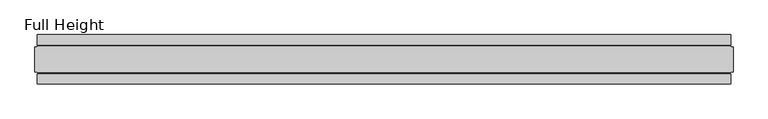
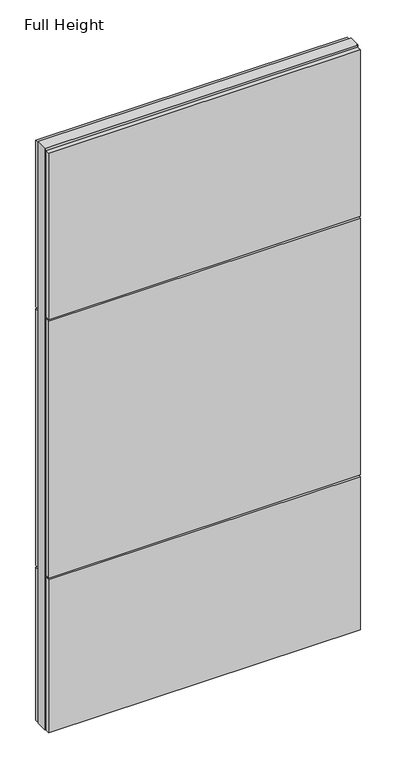
"""IFC4 building model written with IfcOpenShell, lengths in millimetres: plate geometry, Full Height."""

import ifcopenshell
import ifcopenshell.guid

model = None  # the IFC model being written
_history = None  # IfcOwnerHistory: only IFC2X3 demands one
_inside = {}  # id of a spatial element -> (the spatial element, [elements in it])
_under = {}  # id of a project, library or spatial element -> (it, [spatial elements below it])
_declared = {}  # id of a project -> (the project, [libraries it declares])
_typed = {}  # id of a type object -> (the type object, [elements of that type])
_made_of = {}  # id of a material, layer set ... -> (it, [elements and type objects made of it])


def new_model(schema):
    """Start an empty IFC model of exactly this schema.

    Asked for "IFC4X3", IfcOpenShell would pick the latest addendum, in which some entities
    have other attributes; the version numbers below select the first issue.
    IFC2X3 requires an IfcOwnerHistory on every rooted entity: one is made here for all.
    """
    global model, _history
    if schema == "IFC4X3":
        model = ifcopenshell.file(schema_version=(4, 3, 0, 0))
    else:
        model = ifcopenshell.file(schema=schema)
    _inside.clear()
    _under.clear()
    _declared.clear()
    _typed.clear()
    _made_of.clear()
    _history = None
    if model.schema == "IFC2X3":
        org = make("IfcOrganization", Name="unknown")
        user = make(
            "IfcPersonAndOrganization",
            ThePerson=make("IfcPerson", FamilyName="unknown"),
            TheOrganization=org,
        )
        app = make(
            "IfcApplication",
            ApplicationDeveloper=org,
            Version="unknown",
            ApplicationFullName="unknown",
            ApplicationIdentifier="unknown",
        )
        _history = make(
            "IfcOwnerHistory",
            OwningUser=user,
            OwningApplication=app,
            ChangeAction="ADDED",
            CreationDate=0,
        )
    return model


def make(cls, **values):
    """One entity of the class cls with the attributes given. An attribute that is None is left unset."""
    return model.create_entity(
        cls, **{name: value for name, value in values.items() if value is not None}
    )


def rooted(cls, **values):
    """An entity with a GlobalId (a new one), such as an element, a storey or a relation."""
    return make(cls, GlobalId=ifcopenshell.guid.new(), OwnerHistory=_history, **values)


def si_unit(unit_type, name, prefix=None):
    """IfcSIUnit, for example si_unit("LENGTHUNIT", "METRE", prefix="MILLI")."""
    return make("IfcSIUnit", UnitType=unit_type, Prefix=prefix, Name=name)


def assignment(units):
    """IfcUnitAssignment: the units of a project."""
    return None if units is None else make("IfcUnitAssignment", Units=units)


def point(xyz):
    """IfcCartesianPoint."""
    return None if xyz is None else make("IfcCartesianPoint", Coordinates=xyz)


def direction(xyz):
    """IfcDirection."""
    return None if xyz is None else make("IfcDirection", DirectionRatios=xyz)


def frame(location, z_axis=None, x_axis=None):
    """IfcAxis2Placement3D, a coordinate frame: its origin and axes. An axis left out is left unset."""
    return make(
        "IfcAxis2Placement3D",
        Location=point(location),
        Axis=direction(z_axis),
        RefDirection=direction(x_axis),
    )


def origin():
    """The frame at (0, 0, 0) with its axes left unset."""
    return frame((0.0, 0.0, 0.0))


def origin_with_axes():
    """The frame at (0, 0, 0) with the z axis (0, 0, 1) and the x axis (1, 0, 0) written out."""
    return frame((0.0, 0.0, 0.0), z_axis=(0.0, 0.0, 1.0), x_axis=(1.0, 0.0, 0.0))


def place(relative_to, where):
    """IfcLocalPlacement: puts the frame where relative to a parent placement (None: the world)."""
    return make(
        "IfcLocalPlacement", PlacementRelTo=relative_to, RelativePlacement=where
    )


def context(
    kind, dimensions, precision=None, world=None, true_north=None, identifier=None
):
    """IfcGeometricRepresentationContext, for example the 3D "Model" context."""
    return make(
        "IfcGeometricRepresentationContext",
        ContextIdentifier=identifier,
        ContextType=kind,
        CoordinateSpaceDimension=dimensions,
        Precision=precision,
        WorldCoordinateSystem=world,
        TrueNorth=true_north,
    )


def project(units=None, contexts=None):
    """IfcProject with its units and contexts."""
    return rooted(
        "IfcProject",
        Name="project",
        RepresentationContexts=contexts,
        UnitsInContext=assignment(units),
    )


def spatial(cls, under=None, at=None, **own):
    """A site, building, storey or space (cls), placed at a placement, below another one or the project."""
    s = rooted(cls, ObjectPlacement=at, **own)
    if under is not None:
        _under.setdefault(under.id(), (under, []))[1].append(s)
    return s


def polyline(points):
    """IfcPolyline through the points."""
    return make("IfcPolyline", Points=[point(p) for p in points])


def outline(outer, holes=None, kind="AREA"):
    """IfcArbitraryClosedProfileDef: a profile drawn as a closed curve; with holes, ...WithVoids."""
    if holes is None:
        return make("IfcArbitraryClosedProfileDef", ProfileType=kind, OuterCurve=outer)
    return make(
        "IfcArbitraryProfileDefWithVoids",
        ProfileType=kind,
        OuterCurve=outer,
        InnerCurves=holes,
    )


def extrude(swept, where, along, depth):
    """IfcExtrudedAreaSolid: the profile swept, set in the frame where, extruded along a direction by depth."""
    return make(
        "IfcExtrudedAreaSolid",
        SweptArea=swept,
        Position=where,
        ExtrudedDirection=direction(along),
        Depth=depth,
    )


def shape(context_of_items, identifier, shape_type, items):
    """IfcShapeRepresentation: the items that make up one representation, for example the "Body"."""
    return make(
        "IfcShapeRepresentation",
        ContextOfItems=context_of_items,
        RepresentationIdentifier=identifier,
        RepresentationType=shape_type,
        Items=items,
    )


def source(mapping_origin, context_of_items, identifier, shape_type, items):
    """IfcRepresentationMap: a shape defined once, which mapped items show again and again."""
    return make(
        "IfcRepresentationMap",
        MappingOrigin=mapping_origin,
        MappedRepresentation=shape(context_of_items, identifier, shape_type, items),
    )


def transform(
    local_origin,
    x_axis=None,
    y_axis=None,
    z_axis=None,
    scale=None,
    scale2=None,
    scale3=None,
    uniform=True,
):
    """IfcCartesianTransformationOperator3D, or its non-uniform kind. x_axis, y_axis, z_axis: its Axis1, 2, 3."""
    if uniform:
        return make(
            "IfcCartesianTransformationOperator3D",
            Axis1=direction(x_axis),
            Axis2=direction(y_axis),
            LocalOrigin=point(local_origin),
            Scale=scale,
            Axis3=direction(z_axis),
        )
    return make(
        "IfcCartesianTransformationOperator3DnonUniform",
        Axis1=direction(x_axis),
        Axis2=direction(y_axis),
        LocalOrigin=point(local_origin),
        Scale=scale,
        Axis3=direction(z_axis),
        Scale2=scale2,
        Scale3=scale3,
    )


def mapped(mapping_source, mapping_target):
    """IfcMappedItem: shows the shape of a source again, moved by a transform."""
    return make(
        "IfcMappedItem", MappingSource=mapping_source, MappingTarget=mapping_target
    )


def made_of(thing, what):
    """Note that an element or type object is made of a material, layer set ...; save() writes the relation."""
    if what is not None:
        _made_of.setdefault(what.id(), (what, []))[1].append(thing)
    return thing


def element(
    cls,
    number,
    at=None,
    inside=None,
    cuts=None,
    type_object=None,
    material=None,
    context=None,
    identifier="Body",
    shape_type=None,
    held_by="IfcProductDefinitionShape",
    body=None,
    shapes=None,
    **own,
):
    """One element of the class cls, such as IfcWall. Its Tag is "e" and its number.

    at: its placement. inside: the storey or other place that contains it. cuts: it is an
    opening in that element (IfcRelVoidsElement). A single representation is given by context,
    identifier, shape_type and body (its items); several are given by shapes. held_by: the class
    of the entity that holds the representations. save() writes the other relations.
    """
    e = rooted(cls, Tag="e%d" % number, ObjectPlacement=at, **own)
    if body is not None:
        shapes = [shape(context, identifier, shape_type, body)]
    if shapes is not None:
        e.Representation = make(held_by, Representations=shapes)
    if inside is not None:
        _inside.setdefault(inside.id(), (inside, []))[1].append(e)
    if cuts is not None:
        rooted(
            "IfcRelVoidsElement", RelatingBuildingElement=cuts, RelatedOpeningElement=e
        )
    if type_object is not None:
        _typed.setdefault(type_object.id(), (type_object, []))[1].append(e)
    return made_of(e, material)


def aggregate(whole, parts):
    """IfcRelAggregates: a whole, such as a stair, and the parts it consists of."""
    return rooted("IfcRelAggregates", RelatingObject=whole, RelatedObjects=parts)


def save(model, path):
    """Write the relations noted so far, then the file.

    IfcRelAggregates (storeys below a building ...), IfcRelContainedInSpatialStructure (elements
    in a storey), IfcRelDefinesByType, IfcRelAssociatesMaterial and IfcRelDeclares: one each for
    every whole, place, type object, material and project.
    """
    for whole, parts in _under.values():
        aggregate(whole, parts)
    for where, things in _inside.values():
        rooted(
            "IfcRelContainedInSpatialStructure",
            RelatedElements=things,
            RelatingStructure=where,
        )
    for kind, things in _typed.values():
        rooted("IfcRelDefinesByType", RelatedObjects=things, RelatingType=kind)
    for what, things in _made_of.values():
        rooted("IfcRelAssociatesMaterial", RelatedObjects=things, RelatingMaterial=what)
    for by, libraries in _declared.values():
        rooted("IfcRelDeclares", RelatingContext=by, RelatedDefinitions=libraries)
    model.write(path)


def full_height_da564969(model_context):
    return source(origin(), model_context, "Body", "SweptSolid", [
        extrude(outline(polyline([(695.5155, 28.956), (-695.5155, 28.956), (-695.5155, 49.53), (695.5155, 49.53), (695.5155, 28.956)])), frame((0.0, 0.0, 1949.196), z_axis=(0.0, 0.0, 1.0), x_axis=(1.0, 0.0, 0.0)), (0.0, 0.0, 1.0), 784.86),
        extrude(outline(polyline([(695.5155, 28.956), (-695.5155, 28.956), (-695.5155, 49.53), (695.5155, 49.53), (695.5155, 28.956)])), frame((0.0, 0.0, 729.996), z_axis=(0.0, 0.0, 1.0), x_axis=(1.0, 0.0, 0.0)), (0.0, 0.0, 1.0), 1210.056),
        extrude(outline(polyline([(695.5155, 28.956), (-695.5155, 28.956), (-695.5155, 49.53), (695.5155, 49.53), (695.5155, 28.956)])), origin_with_axes(), (0.0, 0.0, 1.0), 720.852),
        extrude(outline(polyline([(695.5155, -28.956), (695.5155, -49.53), (-695.5155, -49.53), (-695.5155, -28.956), (695.5155, -28.956)])), frame((0.0, 0.0, 1949.196), z_axis=(0.0, 0.0, 1.0), x_axis=(1.0, 0.0, 0.0)), (0.0, 0.0, 1.0), 784.86),
        extrude(outline(polyline([(695.5155, -28.956), (695.5155, -49.53), (-695.5155, -49.53), (-695.5155, -28.956), (695.5155, -28.956)])), frame((0.0, 0.0, 729.996), z_axis=(0.0, 0.0, 1.0), x_axis=(1.0, 0.0, 0.0)), (0.0, 0.0, 1.0), 1210.056),
        extrude(outline(polyline([(695.5155, -28.956), (695.5155, -49.53), (-695.5155, -49.53), (-695.5155, -28.956), (695.5155, -28.956)])), origin_with_axes(), (0.0, 0.0, 1.0), 720.852),
        extrude(outline(polyline([(695.5155, -25.146), (695.5155, -26.67), (-695.5155, -26.67), (-695.5155, -25.146), (-700.0875, -25.146), (-700.0875, 25.146), (-695.5155, 25.146), (-695.5155, 26.67), (695.5155, 26.67), (695.5155, 25.146), (700.0875, 25.146), (700.0875, -25.146), (695.5155, -25.146)])), origin_with_axes(), (0.0, 0.0, 1.0), 2743.2),
    ])


if __name__ == "__main__":
    model = new_model("IFC4")
    model_context = context("Model", 3, world=origin())
    ifc_project = project(units=[si_unit("LENGTHUNIT", "METRE", prefix="MILLI")], contexts=[model_context])
    site = spatial("IfcSite", under=ifc_project)
    building = spatial("IfcBuilding", under=site)
    placement = place(None, origin())
    full_height_shape = full_height_da564969(model_context)
    element("IfcPlate", 1, ObjectType="Full Height", at=placement, inside=building, context=model_context, shape_type="MappedRepresentation", body=[
        mapped(full_height_shape, transform((0.0, 0.0, 0.0), x_axis=(1.0, 0.0, 0.0), y_axis=(0.0, 1.0, 0.0), z_axis=(0.0, 0.0, 1.0))),
    ])
    save(model, "model.ifc")
